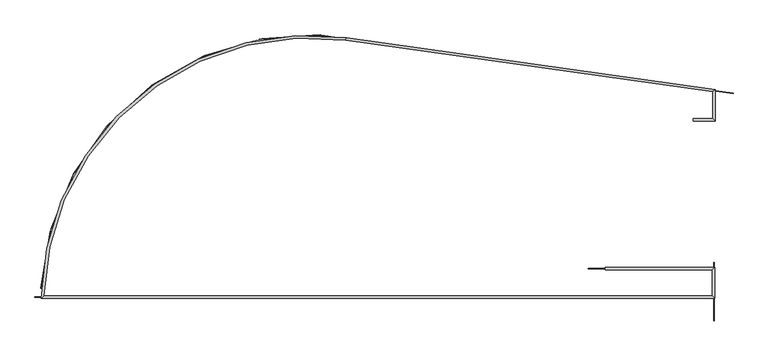
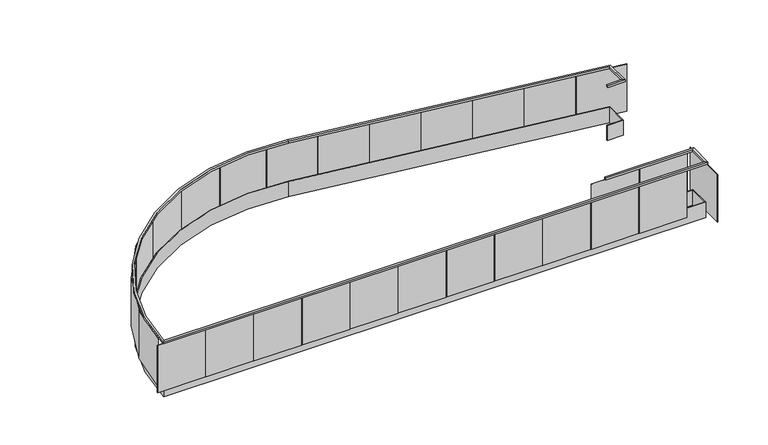
"""IFC4 building model written with IfcOpenShell, lengths in millimetres: railing geometry."""

from ifc_helpers import new_model, si_unit, frame, origin, place, context, project, spatial, polyline, circle_curve, outline, extrude, source, transform, mapped, element, save
from ifc_brep_helpers import plane_surface, cylinder_surface, revolved_surface, advanced_brep


def railing_1fed9d3d(model_context):
    return source(origin(), model_context, "Body", "SolidModel", [
        advanced_brep(
        [(82852.4927943, 12064.9744141, 1066.8), (82852.4927943, 12064.9744141, 1016.0), (82852.4927943, 12014.1744141, 1016.0), (82852.4927943, 12014.1744141, 1066.8), (83246.1927943, 12064.9744141, 1066.8), (83246.1927943, 12064.9744141, 1016.0), (83296.9927943, 12014.1744141, 1016.0), (83296.9927943, 12014.1744141, 1066.8), (83246.1927943, 12620.9538431, 1066.8), (83246.1927943, 12620.9538431, 1016.0), (83296.9927943, 12665.1136094, 1016.0), (83296.9927943, 12665.1136094, 1066.8), (75698.8838185, 13681.6589463, 1066.8), (75698.8838185, 13681.6589463, 1016.0), (75705.953812, 13731.9645642, 1016.0), (75705.953812, 13731.9645642, 1066.8), (69479.7358145, 8416.9463256, 1016.0), (69479.7358145, 8416.9463256, 1066.8), (69427.8330831, 8366.1463256, 1016.0), (69427.8330831, 8366.1463256, 1066.8), (83244.5060699, 8416.9463256, 1066.8), (83244.5060699, 8416.9463256, 1016.0), (83295.3060699, 8366.1463256, 1016.0), (83295.3060699, 8366.1463256, 1066.8), (83244.5060699, 8950.3463256, 1066.8), (83244.5060699, 8950.3463256, 1016.0), (83295.3060699, 9001.1463256, 1016.0), (83295.3060699, 9001.1463256, 1066.8), (81035.8848537, 8950.3463256, 1066.8), (81035.8848537, 9001.1463256, 1066.8), (81035.8848537, 9001.1463256, 1016.0), (81035.8848537, 8950.3463256, 1016.0)],
        [
            (0, 1),
            (1, 2),
            (2, 3),
            (3, 0),
            (0, 4),
            (4, 5),
            (5, 1),
            (5, 6),
            (6, 2),
            (6, 7),
            (7, 3),
            (7, 4),
            (4, 8),
            (8, 9),
            (9, 5),
            (9, 10),
            (10, 6),
            (10, 11),
            (11, 7),
            (11, 8),
            (8, 12),
            (12, 13),
            (13, 9),
            (13, 14),
            (14, 10),
            (14, 15),
            (15, 11),
            (15, 12),
            (16, 13, circle_curve(frame((74938.8595141, 8273.8050229, 1016.0), z_axis=(0.0, 0.0, -1.0), x_axis=(0.13917310096006966, 0.9902680687415697, 0.0)), 5461.0)),
            (12, 17, circle_curve(frame((74938.8595141, 8273.8050229, 1066.8), z_axis=(0.0, 0.0, 1.0), x_axis=(0.13917310096006966, 0.9902680687415697, 0.0)), 5461.0)),
            (17, 16),
            (18, 14, circle_curve(frame((74938.8595141, 8273.8050229, 1016.0), z_axis=(0.0, 0.0, -1.0), x_axis=(0.13917310096006966, 0.9902680687415697, 0.0)), 5511.8)),
            (16, 18),
            (19, 15, circle_curve(frame((74938.8595141, 8273.8050229, 1066.8), z_axis=(0.0, 0.0, -1.0), x_axis=(0.13917310096006966, 0.9902680687415697, 0.0)), 5511.8)),
            (18, 19),
            (19, 17),
            (17, 20),
            (20, 21),
            (21, 16),
            (21, 22),
            (22, 18),
            (22, 23),
            (23, 19),
            (23, 20),
            (20, 24),
            (24, 25),
            (25, 21),
            (25, 26),
            (26, 22),
            (26, 27),
            (27, 23),
            (27, 24),
            (28, 29),
            (29, 30),
            (30, 31),
            (31, 28),
            (24, 28),
            (31, 25),
            (30, 26),
            (29, 27),
        ],
        [
            plane_surface(frame((82852.4927943, 12039.5744141, 1066.8), z_axis=(-1.0, 0.0, 0.0), x_axis=(0.0, 1.0, 0.0))),
            plane_surface(frame((82852.4927943, 12064.9744141, 1066.8), z_axis=(0.0, 1.0, 0.0), x_axis=(1.0, 0.0, 0.0))),
            plane_surface(frame((82852.4927943, 12064.9744141, 1016.0), z_axis=(0.0, 0.0, -1.0), x_axis=(1.0, 0.0, 0.0))),
            plane_surface(frame((82852.4927943, 12014.1744141, 1016.0), z_axis=(0.0, -1.0, 0.0), x_axis=(1.0, 0.0, 0.0))),
            plane_surface(frame((82852.4927943, 12014.1744141, 1066.8), z_axis=(0.0, 0.0, 1.0), x_axis=(1.0, 0.0, 0.0))),
            plane_surface(frame((83246.1927943, 12064.9744141, 1066.8), z_axis=(-1.0, 0.0, 0.0), x_axis=(0.0, 1.0, 0.0))),
            plane_surface(frame((83246.1927943, 12064.9744141, 1016.0), z_axis=(0.0, 0.0, -1.0), x_axis=(0.0, 1.0, 0.0))),
            plane_surface(frame((83296.9927943, 12014.1744141, 1016.0), z_axis=(1.0, 0.0, 0.0), x_axis=(0.0, 1.0, 0.0))),
            plane_surface(frame((83296.9927943, 12014.1744141, 1066.8), z_axis=(0.0, 0.0, 1.0), x_axis=(0.0, 1.0, 0.0))),
            plane_surface(frame((83246.1927943, 12620.9538431, 1066.8), z_axis=(-0.13917310096006977, -0.9902680687415697, 0.0), x_axis=(-0.9902680687415697, 0.13917310096006977, 0.0))),
            plane_surface(frame((83246.1927943, 12620.9538431, 1016.0), z_axis=(0.0, 0.0, -1.0), x_axis=(-0.9902680687415697, 0.13917310096006977, 0.0))),
            plane_surface(frame((83296.9927943, 12665.1136094, 1016.0), z_axis=(0.13917310096007068, 0.9902680687415696, 0.0), x_axis=(-0.9902680687415696, 0.13917310096007068, 0.0))),
            plane_surface(frame((83296.9927943, 12665.1136094, 1066.8), z_axis=(0.0, 0.0, 1.0), x_axis=(-0.9902680687415696, 0.13917310096007068, 0.0))),
            revolved_surface(polyline([(75698.88381844293, 13681.658946297712, 1066.8), (75698.88381844293, 13681.658946297712, 1016.0)]), (74938.8595141, 8273.8050229, 1066.8), (0.0, 0.0, 1.0)),
            plane_surface(frame((74938.8595141, 8273.8050229, 1016.0), z_axis=(0.0, 0.0, -1.0), x_axis=(0.13917310096006966, 0.9902680687415697, 0.0))),
            cylinder_surface(frame((74938.8595141, 8273.8050229, 1066.8), z_axis=(0.0, 0.0, 1.0), x_axis=(0.13917310096006966, 0.9902680687415697, 0.0)), 5511.8),
            plane_surface(frame((74938.8595141, 8273.8050229, 1066.8), z_axis=(0.0, 0.0, 1.0), x_axis=(0.13917310096006966, 0.9902680687415697, 0.0))),
            plane_surface(frame((69479.7358145, 8416.9463256, 1066.8), z_axis=(0.0, 1.0, 0.0), x_axis=(1.0, 0.0, 0.0))),
            plane_surface(frame((69479.7358145, 8416.9463256, 1016.0), z_axis=(0.0, 0.0, -1.0), x_axis=(1.0, 0.0, 0.0))),
            plane_surface(frame((69427.8330831, 8366.1463256, 1016.0), z_axis=(0.0, -1.0, 0.0), x_axis=(1.0, 0.0, 0.0))),
            plane_surface(frame((69427.8330831, 8366.1463256, 1066.8), z_axis=(0.0, 0.0, 1.0), x_axis=(1.0, 0.0, 0.0))),
            plane_surface(frame((83244.5060699, 8416.9463256, 1066.8), z_axis=(-1.0, 0.0, 0.0), x_axis=(0.0, 1.0, 0.0))),
            plane_surface(frame((83244.5060699, 8416.9463256, 1016.0), z_axis=(0.0, 0.0, -1.0), x_axis=(0.0, 1.0, 0.0))),
            plane_surface(frame((83295.3060699, 8366.1463256, 1016.0), z_axis=(1.0, 0.0, 0.0), x_axis=(0.0, 1.0, 0.0))),
            plane_surface(frame((83295.3060699, 8366.1463256, 1066.8), z_axis=(0.0, 0.0, 1.0), x_axis=(0.0, 1.0, 0.0))),
            plane_surface(frame((81035.8848537, 8975.7463256, 1066.8), z_axis=(-1.0, 0.0, 0.0), x_axis=(0.0, -1.0, 0.0))),
            plane_surface(frame((83244.5060699, 8950.3463256, 1066.8), z_axis=(0.0, -1.0, 0.0), x_axis=(-1.0, 0.0, 0.0))),
            plane_surface(frame((83244.5060699, 8950.3463256, 1016.0), z_axis=(0.0, 0.0, -1.0), x_axis=(-1.0, 0.0, 0.0))),
            plane_surface(frame((83295.3060699, 9001.1463256, 1016.0), z_axis=(0.0, 1.0, 0.0), x_axis=(-1.0, 0.0, 0.0))),
            plane_surface(frame((83295.3060699, 9001.1463256, 1066.8), z_axis=(0.0, 0.0, 1.0), x_axis=(-1.0, 0.0, 0.0))),
        ],
        [
            (0, [[1, 2, 3, 4]]),
            (1, [[-1, 5, 6, 7]]),
            (2, [[-2, -7, 8, 9]]),
            (3, [[-3, -9, 10, 11]]),
            (4, [[-4, -11, 12, -5]]),
            (5, [[-6, 13, 14, 15]]),
            (6, [[-8, -15, 16, 17]]),
            (7, [[-10, -17, 18, 19]]),
            (8, [[-12, -19, 20, -13]]),
            (9, [[-14, 21, 22, 23]]),
            (10, [[-16, -23, 24, 25]]),
            (11, [[-18, -25, 26, 27]]),
            (12, [[-20, -27, 28, -21]]),
            (13, [[29, -22, 30, 31]]),
            (14, [[32, -24, -29, 33]]),
            (15, [[34, -26, -32, 35]]),
            (16, [[-30, -28, -34, 36]]),
            (17, [[-31, 37, 38, 39]]),
            (18, [[-33, -39, 40, 41]]),
            (19, [[-35, -41, 42, 43]]),
            (20, [[-36, -43, 44, -37]]),
            (21, [[-38, 45, 46, 47]]),
            (22, [[-40, -47, 48, 49]]),
            (23, [[-42, -49, 50, 51]]),
            (24, [[-44, -51, 52, -45]]),
            (25, [[53, 54, 55, 56]]),
            (26, [[-46, 57, -56, 58]]),
            (27, [[-48, -58, -55, 59]]),
            (28, [[-50, -59, -54, 60]]),
            (29, [[-52, -60, -53, -57]]),
        ],
    ),
        advanced_brep(
        [(82852.4927943, 12063.4749572, -25.6937462), (82852.4927943, 12063.4749572, -432.0937462), (82852.4927943, 12047.5999572, -432.0937462), (82852.4927943, 12047.5999572, -25.6937462), (83247.6922512, 12063.4749572, -25.6937462), (83247.6922512, 12063.4749572, -432.0937462), (83263.5672512, 12047.5999572, -432.0937462), (83263.5672512, 12047.5999572, -25.6937462), (83247.6922512, 12622.2573011, -25.6937462), (83247.6922512, 12622.2573011, -432.0937462), (83263.5672512, 12636.0572281, -432.0937462), (83263.5672512, 12636.0572281, -25.6937462), (75699.0925025, 13683.1438106, -25.6937462), (75699.0925025, 13683.1438106, -432.0937462), (75701.3018755, 13698.8643162, -432.0937462), (75701.3018755, 13698.8643162, -25.6937462), (69478.1967426, 8415.4468687, -432.0937462), (69478.1967426, 8415.4468687, -25.6937462), (69461.9288599, 8399.5718687, -432.0937462), (69461.9288599, 8399.5718687, -25.6937462), (83246.0055268, 8415.4468687, -25.6937462), (83246.0055268, 8415.4468687, -432.0937462), (83261.8805268, 8399.5718687, -432.0937462), (83261.8805268, 8399.5718687, -25.6937462), (83246.0055268, 8951.8457825, -25.6937462), (83246.0055268, 8951.8457825, -432.0937462), (83261.8805268, 8967.7207825, -432.0937462), (83261.8805268, 8967.7207825, -25.6937462), (81035.8848537, 8951.8457825, -25.6937462), (81035.8848537, 8967.7207825, -25.6937462), (81035.8848537, 8967.7207825, -432.0937462), (81035.8848537, 8951.8457825, -432.0937462)],
        [
            (0, 1),
            (1, 2),
            (2, 3),
            (3, 0),
            (0, 4),
            (4, 5),
            (5, 1),
            (5, 6),
            (6, 2),
            (6, 7),
            (7, 3),
            (7, 4),
            (4, 8),
            (8, 9),
            (9, 5),
            (9, 10),
            (10, 6),
            (10, 11),
            (11, 7),
            (11, 8),
            (8, 12),
            (12, 13),
            (13, 9),
            (13, 14),
            (14, 10),
            (14, 15),
            (15, 11),
            (15, 12),
            (16, 13, circle_curve(frame((74938.8595141, 8273.8050229, -432.0937462), z_axis=(0.0, 0.0, -1.0), x_axis=(0.13917310096006966, 0.9902680687415697, 0.0)), 5462.4994569)),
            (12, 17, circle_curve(frame((74938.8595141, 8273.8050229, -25.6937462), z_axis=(0.0, 0.0, 1.0), x_axis=(0.13917310096006966, 0.9902680687415697, 0.0)), 5462.4994569)),
            (17, 16),
            (18, 14, circle_curve(frame((74938.8595141, 8273.8050229, -432.0937462), z_axis=(0.0, 0.0, -1.0), x_axis=(0.13917310096006966, 0.9902680687415697, 0.0)), 5478.3744569)),
            (16, 18),
            (19, 15, circle_curve(frame((74938.8595141, 8273.8050229, -25.6937462), z_axis=(0.0, 0.0, -1.0), x_axis=(0.13917310096006966, 0.9902680687415697, 0.0)), 5478.3744569)),
            (18, 19),
            (19, 17),
            (17, 20),
            (20, 21),
            (21, 16),
            (21, 22),
            (22, 18),
            (22, 23),
            (23, 19),
            (23, 20),
            (20, 24),
            (24, 25),
            (25, 21),
            (25, 26),
            (26, 22),
            (26, 27),
            (27, 23),
            (27, 24),
            (28, 29),
            (29, 30),
            (30, 31),
            (31, 28),
            (24, 28),
            (31, 25),
            (30, 26),
            (29, 27),
        ],
        [
            plane_surface(frame((82852.4927943, 12055.4494141, -260.35), z_axis=(-1.0, 0.0, 0.0), x_axis=(0.0, 1.0, 0.0))),
            plane_surface(frame((82852.4927943, 12063.4749572, -25.6937462), z_axis=(0.0, 1.0, 0.0), x_axis=(1.0, 0.0, 0.0))),
            plane_surface(frame((82852.4927943, 12063.4749572, -432.0937462), z_axis=(0.0, 0.0, -1.0), x_axis=(1.0, 0.0, 0.0))),
            plane_surface(frame((82852.4927943, 12047.5999572, -432.0937462), z_axis=(0.0, -1.0, 0.0), x_axis=(1.0, 0.0, 0.0))),
            plane_surface(frame((82852.4927943, 12047.5999572, -25.6937462), z_axis=(0.0, 0.0, 1.0), x_axis=(1.0, 0.0, 0.0))),
            plane_surface(frame((83247.6922512, 12063.4749572, -25.6937462), z_axis=(-1.0, 0.0, 0.0), x_axis=(0.0, 1.0, 0.0))),
            plane_surface(frame((83247.6922512, 12063.4749572, -432.0937462), z_axis=(0.0, 0.0, -1.0), x_axis=(0.0, 1.0, 0.0))),
            plane_surface(frame((83263.5672512, 12047.5999572, -432.0937462), z_axis=(1.0, 0.0, 0.0), x_axis=(0.0, 1.0, 0.0))),
            plane_surface(frame((83263.5672512, 12047.5999572, -25.6937462), z_axis=(0.0, 0.0, 1.0), x_axis=(0.0, 1.0, 0.0))),
            plane_surface(frame((83247.6922512, 12622.2573011, -25.6937462), z_axis=(-0.13917310096007018, -0.9902680687415697, 0.0), x_axis=(-0.9902680687415697, 0.13917310096007018, 0.0))),
            plane_surface(frame((83247.6922512, 12622.2573011, -432.0937462), z_axis=(0.0, 0.0, -1.0), x_axis=(-0.9902680687415697, 0.13917310096006988, 0.0))),
            plane_surface(frame((83263.5672512, 12636.0572281, -432.0937462), z_axis=(0.1391731009600704, 0.9902680687415696, 0.0), x_axis=(-0.9902680687415696, 0.1391731009600704, 0.0))),
            plane_surface(frame((83263.5672512, 12636.0572281, -25.6937462), z_axis=(0.0, 0.0, 1.0), x_axis=(-0.9902680687415696, 0.1391731009600704, 0.0))),
            revolved_surface(polyline([(75699.09250250946, 13683.143810586236, -25.693746199999993), (75699.09250250946, 13683.143810586236, -432.0937462)]), (74938.8595141, 8273.8050229, -260.35), (0.0, 0.0, 1.0)),
            plane_surface(frame((74938.8595141, 8273.8050229, -432.0937462), z_axis=(0.0, 0.0, -1.0), x_axis=(0.13917310096006966, 0.9902680687415697, 0.0))),
            cylinder_surface(frame((74938.8595141, 8273.8050229, -260.35), z_axis=(0.0, 0.0, 1.0), x_axis=(0.13917310096006966, 0.9902680687415697, 0.0)), 5478.3744569),
            plane_surface(frame((74938.8595141, 8273.8050229, -25.6937462), z_axis=(0.0, 0.0, 1.0), x_axis=(0.13917310096006966, 0.9902680687415697, 0.0))),
            plane_surface(frame((69478.1967426, 8415.4468687, -25.6937462), z_axis=(0.0, 1.0, 0.0), x_axis=(1.0, 0.0, 0.0))),
            plane_surface(frame((69478.1967426, 8415.4468687, -432.0937462), z_axis=(0.0, 0.0, -1.0), x_axis=(1.0, 0.0, 0.0))),
            plane_surface(frame((69461.9288599, 8399.5718687, -432.0937462), z_axis=(0.0, -1.0, 0.0), x_axis=(1.0, 0.0, 0.0))),
            plane_surface(frame((69461.9288599, 8399.5718687, -25.6937462), z_axis=(0.0, 0.0, 1.0), x_axis=(1.0, 0.0, 0.0))),
            plane_surface(frame((83246.0055268, 8415.4468687, -25.6937462), z_axis=(-1.0, 0.0, 0.0), x_axis=(0.0, 1.0, 0.0))),
            plane_surface(frame((83246.0055268, 8415.4468687, -432.0937462), z_axis=(0.0, 0.0, -1.0), x_axis=(0.0, 1.0, 0.0))),
            plane_surface(frame((83261.8805268, 8399.5718687, -432.0937462), z_axis=(1.0, 0.0, 0.0), x_axis=(0.0, 1.0, 0.0))),
            plane_surface(frame((83261.8805268, 8399.5718687, -25.6937462), z_axis=(0.0, 0.0, 1.0), x_axis=(0.0, 1.0, 0.0))),
            plane_surface(frame((81035.8848537, 8959.8713256, -260.35), z_axis=(-1.0, 0.0, 0.0), x_axis=(0.0, -1.0, 0.0))),
            plane_surface(frame((83246.0055268, 8951.8457825, -25.6937462), z_axis=(0.0, -1.0, 0.0), x_axis=(-1.0, 0.0, 0.0))),
            plane_surface(frame((83246.0055268, 8951.8457825, -432.0937462), z_axis=(0.0, 0.0, -1.0), x_axis=(-1.0, 0.0, 0.0))),
            plane_surface(frame((83261.8805268, 8967.7207825, -432.0937462), z_axis=(0.0, 1.0, 0.0), x_axis=(-1.0, 0.0, 0.0))),
            plane_surface(frame((83261.8805268, 8967.7207825, -25.6937462), z_axis=(0.0, 0.0, 1.0), x_axis=(-1.0, 0.0, 0.0))),
        ],
        [
            (0, [[1, 2, 3, 4]]),
            (1, [[-1, 5, 6, 7]]),
            (2, [[-2, -7, 8, 9]]),
            (3, [[-3, -9, 10, 11]]),
            (4, [[-4, -11, 12, -5]]),
            (5, [[-6, 13, 14, 15]]),
            (6, [[-8, -15, 16, 17]]),
            (7, [[-10, -17, 18, 19]]),
            (8, [[-12, -19, 20, -13]]),
            (9, [[-14, 21, 22, 23]]),
            (10, [[-16, -23, 24, 25]]),
            (11, [[-18, -25, 26, 27]]),
            (12, [[-20, -27, 28, -21]]),
            (13, [[29, -22, 30, 31]]),
            (14, [[32, -24, -29, 33]]),
            (15, [[34, -26, -32, 35]]),
            (16, [[-30, -28, -34, 36]]),
            (17, [[-31, 37, 38, 39]]),
            (18, [[-33, -39, 40, 41]]),
            (19, [[-35, -41, 42, 43]]),
            (20, [[-36, -43, 44, -37]]),
            (21, [[-38, 45, 46, 47]]),
            (22, [[-40, -47, 48, 49]]),
            (23, [[-42, -49, 50, 51]]),
            (24, [[-44, -51, 52, -45]]),
            (25, [[53, 54, 55, 56]]),
            (26, [[-46, 57, -56, 58]]),
            (27, [[-48, -58, -55, 59]]),
            (28, [[-50, -59, -54, 60]]),
            (29, [[-52, -60, -53, -57]]),
        ],
    ),
        extrude(outline(polyline([(81890.571557, 8982.0963256), (81890.571557, 8975.7463256), (80684.071557, 8975.7463256), (80684.071557, 8982.0963256), (81890.571557, 8982.0963256)])), frame((0.0, 0.0, -260.35), z_axis=(0.0, 0.0, 1.0), x_axis=(1.0, 0.0, 0.0)), (0.0, 0.0, 1.0), 1276.35),
        extrude(outline(polyline([(83116.121557, 8982.0963256), (83116.121557, 8975.7463256), (81909.621557, 8975.7463256), (81909.621557, 8982.0963256), (83116.121557, 8982.0963256)])), frame((0.0, 0.0, -260.35), z_axis=(0.0, 0.0, 1.0), x_axis=(1.0, 0.0, 0.0)), (0.0, 0.0, 1.0), 1276.35),
        extrude(outline(polyline([(83276.2560699, 7903.9808384), (83269.9060699, 7903.9808384), (83269.9060699, 9110.4808384), (83276.2560699, 9110.4808384), (83276.2560699, 7903.9808384)])), frame((0.0, 0.0, -260.35), z_axis=(0.0, 0.0, 1.0), x_axis=(1.0, 0.0, 0.0)), (0.0, 0.0, 1.0), 1276.35),
        extrude(outline(polyline([(81556.7905827, 8385.1963256), (81556.7905827, 8391.5463256), (82763.2905827, 8391.5463256), (82763.2905827, 8385.1963256), (81556.7905827, 8385.1963256)])), frame((0.0, 0.0, -260.35), z_axis=(0.0, 0.0, 1.0), x_axis=(1.0, 0.0, 0.0)), (0.0, 0.0, 1.0), 1276.35),
        extrude(outline(polyline([(80331.2405827, 8385.1963256), (80331.2405827, 8391.5463256), (81537.7405827, 8391.5463256), (81537.7405827, 8385.1963256), (80331.2405827, 8385.1963256)])), frame((0.0, 0.0, -260.35), z_axis=(0.0, 0.0, 1.0), x_axis=(1.0, 0.0, 0.0)), (0.0, 0.0, 1.0), 1276.35),
        extrude(outline(polyline([(79105.6905827, 8385.1963256), (79105.6905827, 8391.5463256), (80312.1905827, 8391.5463256), (80312.1905827, 8385.1963256), (79105.6905827, 8385.1963256)])), frame((0.0, 0.0, -260.35), z_axis=(0.0, 0.0, 1.0), x_axis=(1.0, 0.0, 0.0)), (0.0, 0.0, 1.0), 1276.35),
        extrude(outline(polyline([(77880.1405827, 8385.1963256), (77880.1405827, 8391.5463256), (79086.6405827, 8391.5463256), (79086.6405827, 8385.1963256), (77880.1405827, 8385.1963256)])), frame((0.0, 0.0, -260.35), z_axis=(0.0, 0.0, 1.0), x_axis=(1.0, 0.0, 0.0)), (0.0, 0.0, 1.0), 1276.35),
        extrude(outline(polyline([(76654.5905827, 8385.1963256), (76654.5905827, 8391.5463256), (77861.0905827, 8391.5463256), (77861.0905827, 8385.1963256), (76654.5905827, 8385.1963256)])), frame((0.0, 0.0, -260.35), z_axis=(0.0, 0.0, 1.0), x_axis=(1.0, 0.0, 0.0)), (0.0, 0.0, 1.0), 1276.35),
        extrude(outline(polyline([(75429.0405827, 8385.1963256), (75429.0405827, 8391.5463256), (76635.5405827, 8391.5463256), (76635.5405827, 8385.1963256), (75429.0405827, 8385.1963256)])), frame((0.0, 0.0, -260.35), z_axis=(0.0, 0.0, 1.0), x_axis=(1.0, 0.0, 0.0)), (0.0, 0.0, 1.0), 1276.35),
        extrude(outline(polyline([(74203.4905827, 8385.1963256), (74203.4905827, 8391.5463256), (75409.9905827, 8391.5463256), (75409.9905827, 8385.1963256), (74203.4905827, 8385.1963256)])), frame((0.0, 0.0, -260.35), z_axis=(0.0, 0.0, 1.0), x_axis=(1.0, 0.0, 0.0)), (0.0, 0.0, 1.0), 1276.35),
        extrude(outline(polyline([(72977.9405827, 8385.1963256), (72977.9405827, 8391.5463256), (74184.4405827, 8391.5463256), (74184.4405827, 8385.1963256), (72977.9405827, 8385.1963256)])), frame((0.0, 0.0, -260.35), z_axis=(0.0, 0.0, 1.0), x_axis=(1.0, 0.0, 0.0)), (0.0, 0.0, 1.0), 1276.35),
        extrude(outline(polyline([(71752.3905827, 8385.1963256), (71752.3905827, 8391.5463256), (72958.8905827, 8391.5463256), (72958.8905827, 8385.1963256), (71752.3905827, 8385.1963256)])), frame((0.0, 0.0, -260.35), z_axis=(0.0, 0.0, 1.0), x_axis=(1.0, 0.0, 0.0)), (0.0, 0.0, 1.0), 1276.35),
        extrude(outline(polyline([(70526.8405827, 8385.1963256), (70526.8405827, 8391.5463256), (71733.3405827, 8391.5463256), (71733.3405827, 8385.1963256), (70526.8405827, 8385.1963256)])), frame((0.0, 0.0, -260.35), z_axis=(0.0, 0.0, 1.0), x_axis=(1.0, 0.0, 0.0)), (0.0, 0.0, 1.0), 1276.35),
        extrude(outline(polyline([(69301.2905827, 8385.1963256), (69301.2905827, 8391.5463256), (70507.7905827, 8391.5463256), (70507.7905827, 8385.1963256), (69301.2905827, 8385.1963256)])), frame((0.0, 0.0, -260.35), z_axis=(0.0, 0.0, 1.0), x_axis=(1.0, 0.0, 0.0)), (0.0, 0.0, 1.0), 1276.35),
        extrude(outline(polyline([(69616.3238929, 9758.6712411), (69622.5900607, 9757.6428246), (69427.1909257, 8567.0709334), (69420.9247579, 8568.0993499), (69616.3238929, 9758.6712411)])), frame((0.0, 0.0, -260.35), z_axis=(0.0, 0.0, 1.0), x_axis=(1.0, 0.0, 0.0)), (0.0, 0.0, 1.0), 1276.35),
        extrude(outline(polyline([(70077.5030712, 10900.8616762), (70083.3857304, 10898.4706889), (69629.0981409, 9780.7654344), (69623.2154816, 9783.1564217), (70077.5030712, 10900.8616762)])), frame((0.0, 0.0, -260.35), z_axis=(0.0, 0.0, 1.0), x_axis=(1.0, 0.0, 0.0)), (0.0, 0.0, 1.0), 1276.35),
        extrude(outline(polyline([(70780.2494473, 11912.5102098), (70785.4562808, 11908.875463), (70094.8543848, 10919.5770898), (70089.6475513, 10923.2118366), (70780.2494473, 11912.5102098)])), frame((0.0, 0.0, -260.35), z_axis=(0.0, 0.0, 1.0), x_axis=(1.0, 0.0, 0.0)), (0.0, 0.0, 1.0), 1276.35),
        extrude(outline(polyline([(71689.6426292, 12743.3466952), (71693.9149026, 12738.6488042), (70801.315617, 11926.9168501), (70797.0433436, 11931.6147411), (71689.6426292, 12743.3466952)])), frame((0.0, 0.0, -260.35), z_axis=(0.0, 0.0, 1.0), x_axis=(1.0, 0.0, 0.0)), (0.0, 0.0, 1.0), 1276.35),
        extrude(outline(polyline([(72760.4936732, 13352.0857741), (72763.6190916, 13346.5581834), (71713.3768493, 12752.7286772), (71710.2514308, 12758.256268), (72760.4936732, 13352.0857741)])), frame((0.0, 0.0, -260.35), z_axis=(0.0, 0.0, 1.0), x_axis=(1.0, 0.0, 0.0)), (0.0, 0.0, 1.0), 1276.35),
        extrude(outline(polyline([(73939.5905819, 13708.478401), (73941.4138392, 13702.3957837), (72785.716559, 13355.976895), (72783.8933017, 13362.0595123), (73939.5905819, 13708.478401)])), frame((0.0, 0.0, -260.35), z_axis=(0.0, 0.0, 1.0), x_axis=(1.0, 0.0, 0.0)), (0.0, 0.0, 1.0), 1276.35),
        extrude(outline(polyline([(75168.3424787, 13794.8149572), (75168.7729748, 13788.4795667), (73965.0487751, 13706.6853057), (73964.618279, 13713.0206962), (75168.3424787, 13794.8149572)])), frame((0.0, 0.0, -260.35), z_axis=(0.0, 0.0, 1.0), x_axis=(1.0, 0.0, 0.0)), (0.0, 0.0, 1.0), 1276.35),
        extrude(outline(polyline([(76387.1023696, 13616.9981621), (76386.2186204, 13610.7099599), (75191.4601955, 13778.6223062), (75192.3439447, 13784.9105084), (76387.1023696, 13616.9981621)])), frame((0.0, 0.0, -260.35), z_axis=(0.0, 0.0, 1.0), x_axis=(1.0, 0.0, 0.0)), (0.0, 0.0, 1.0), 1276.35),
        extrude(outline(polyline([(77600.7254013, 13446.4345682), (77599.8416521, 13440.146366), (76405.0832271, 13608.0587123), (76405.9669763, 13614.3469145), (77600.7254013, 13446.4345682)])), frame((0.0, 0.0, -260.35), z_axis=(0.0, 0.0, 1.0), x_axis=(1.0, 0.0, 0.0)), (0.0, 0.0, 1.0), 1276.35),
        extrude(outline(polyline([(78814.3484329, 13275.8709744), (78813.4646837, 13269.5827721), (77618.7062588, 13437.4951184), (77619.590008, 13443.7833207), (78814.3484329, 13275.8709744)])), frame((0.0, 0.0, -260.35), z_axis=(0.0, 0.0, 1.0), x_axis=(1.0, 0.0, 0.0)), (0.0, 0.0, 1.0), 1276.35),
        extrude(outline(polyline([(80027.9714646, 13105.3073805), (80027.0877154, 13099.0191782), (78832.3292904, 13266.9315245), (78833.2130396, 13273.2197268), (80027.9714646, 13105.3073805)])), frame((0.0, 0.0, -260.35), z_axis=(0.0, 0.0, 1.0), x_axis=(1.0, 0.0, 0.0)), (0.0, 0.0, 1.0), 1276.35),
        extrude(outline(polyline([(81241.5944962, 12934.7437866), (81240.710747, 12928.4555844), (80045.9523221, 13096.3679307), (80046.8360713, 13102.6561329), (81241.5944962, 12934.7437866)])), frame((0.0, 0.0, -260.35), z_axis=(0.0, 0.0, 1.0), x_axis=(1.0, 0.0, 0.0)), (0.0, 0.0, 1.0), 1276.35),
        extrude(outline(polyline([(82455.2175279, 12764.1801927), (82454.3337787, 12757.8919905), (81259.5753537, 12925.8043368), (81260.4591029, 12932.092539), (82455.2175279, 12764.1801927)])), frame((0.0, 0.0, -260.35), z_axis=(0.0, 0.0, 1.0), x_axis=(1.0, 0.0, 0.0)), (0.0, 0.0, 1.0), 1276.35),
        extrude(outline(polyline([(83668.8405595, 12593.6165988), (83667.9568103, 12587.3283966), (82473.1983854, 12755.2407429), (82474.0821346, 12761.5289451), (83668.8405595, 12593.6165988)])), frame((0.0, 0.0, -260.35), z_axis=(0.0, 0.0, 1.0), x_axis=(1.0, 0.0, 0.0)), (0.0, 0.0, 1.0), 1276.35),
    ])


if __name__ == "__main__":
    model = new_model("IFC4")
    model_context = context("Model", 3, world=origin())
    ifc_project = project(units=[si_unit("LENGTHUNIT", "METRE", prefix="MILLI")], contexts=[model_context])
    site = spatial("IfcSite", under=ifc_project)
    building = spatial("IfcBuilding", under=site)
    placement = place(None, origin())
    railing_shape = railing_1fed9d3d(model_context)
    element("IfcRailing", 1, at=placement, inside=building, context=model_context, shape_type="MappedRepresentation", body=[
        mapped(railing_shape, transform((0.0, 0.0, 0.0), x_axis=(1.0, 0.0, 0.0), y_axis=(0.0, 1.0, 0.0), z_axis=(0.0, 0.0, 1.0))),
    ])
    save(model, "model.ifc")
